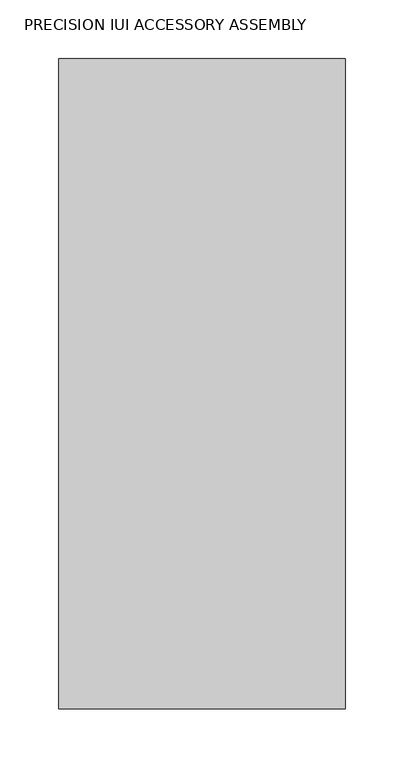
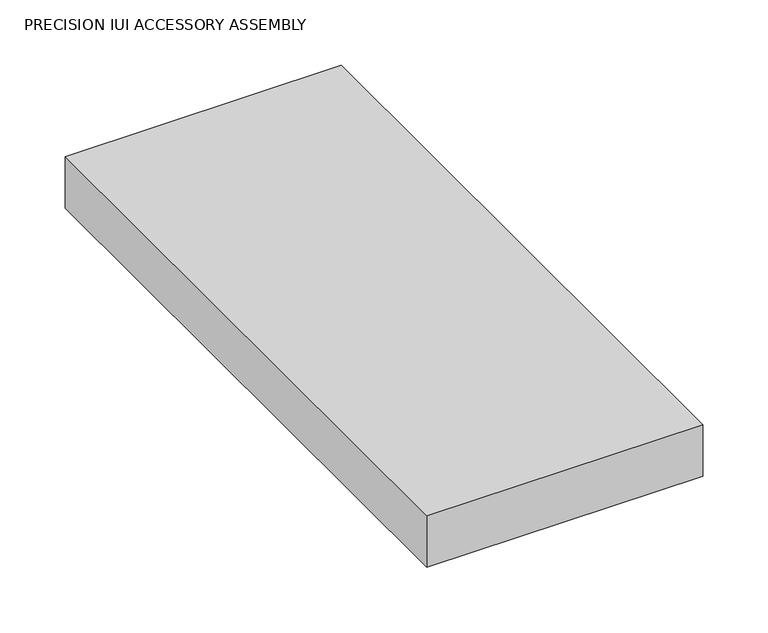
"""IFC4 building model written with IfcOpenShell, lengths in millimetres: proxy geometry, PRECISION IUI ACCESSORY ASSEMBLY."""

from ifc_helpers import new_model, si_unit, frame, origin, place, context, project, spatial, polyline, outline, extrude, source, transform, mapped, element, save


def precision_iui_accessory_assembly_9955b20f(model_context):
    return source(origin(), model_context, "Body", "SweptSolid", [
        extrude(outline(polyline([(121.92, 0.0), (121.92, -553.72), (-121.92, -553.72), (-121.92, 0.0), (121.92, 0.0)])), frame((0.0, 0.0, 815.34), z_axis=(0.0, 0.0, 1.0), x_axis=(1.0, 0.0, 0.0)), (0.0, 0.0, 1.0), 48.26),
    ])


if __name__ == "__main__":
    model = new_model("IFC4")
    model_context = context("Model", 3, world=origin())
    ifc_project = project(units=[si_unit("LENGTHUNIT", "METRE", prefix="MILLI")], contexts=[model_context])
    site = spatial("IfcSite", under=ifc_project)
    building = spatial("IfcBuilding", under=site)
    placement = place(None, origin())
    precision_iui_accessory_assembly_shape = precision_iui_accessory_assembly_9955b20f(model_context)
    element("IfcBuildingElementProxy", 1, Name="PRECISION IUI ACCESSORY ASSEMBLY", ObjectType="PRECISION IUI ACCESSORY ASSEMBLY", at=placement, inside=building, context=model_context, shape_type="MappedRepresentation", body=[
        mapped(precision_iui_accessory_assembly_shape, transform((0.0, 0.0, 0.0), x_axis=(1.0, 0.0, 0.0), y_axis=(0.0, 1.0, 0.0), z_axis=(0.0, 0.0, 1.0))),
    ])
    save(model, "model.ifc")
